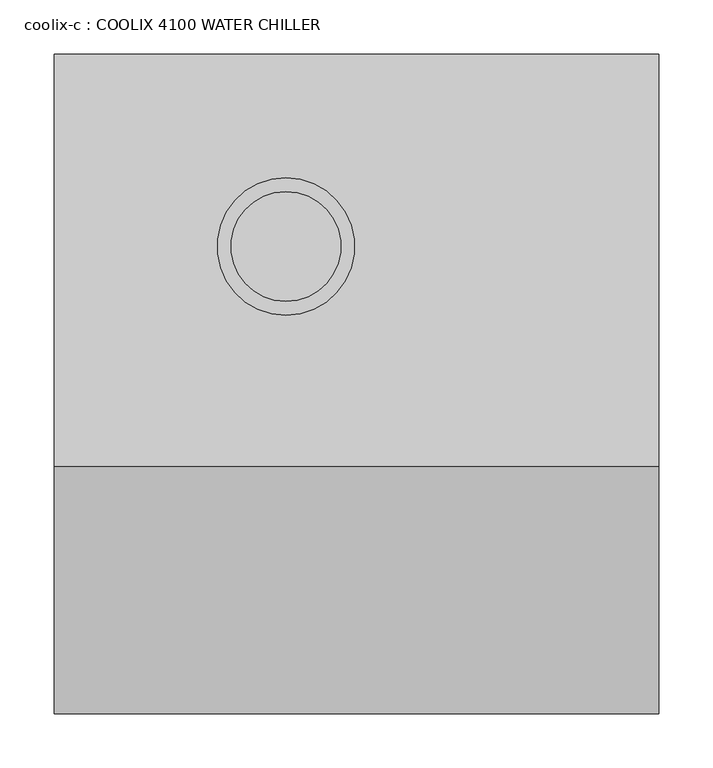
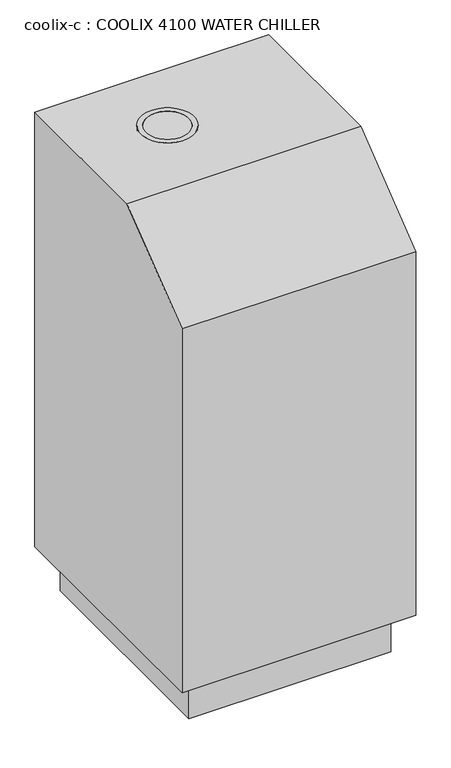
"""IFC4 building model written with IfcOpenShell, lengths in millimetres: proxy geometry, coolix-c : COOLIX 4100 WATER CHILLER."""

from ifc_helpers import new_model, si_unit, point, frame, frame_2d, origin, place, context, project, spatial, circle_curve, trimmed, segment, composite_curve, outline, extrude, faceted_brep, source, transform, mapped, element, save


def coolix_c_coolix_4100_water_chiller_3e813609(model_context):
    return source(origin(), model_context, "Body", "SolidModel", [
        extrude(outline(composite_curve([segment(trimmed(circle_curve(frame_2d((214.2066667, -304.8)), 63.5), [point((214.2066667, -241.3))], [point((214.2066667, -368.3))], False, "CARTESIAN"), True, "CONTINUOUS"), segment(trimmed(circle_curve(frame_2d((214.2066667, -304.8)), 63.5), [point((214.2066667, -368.3))], [point((214.2066667, -241.3))], False, "CARTESIAN"), True, "CONTINUOUS")], self_intersect=False), holes=[composite_curve([segment(trimmed(circle_curve(frame_2d((214.2066667, -304.8)), 50.8), [point((214.2066667, -254.0))], [point((214.2066667, -355.6))], True, "CARTESIAN"), True, "CONTINUOUS"), segment(trimmed(circle_curve(frame_2d((214.2066667, -304.8)), 50.8), [point((214.2066667, -355.6))], [point((214.2066667, -254.0))], True, "CARTESIAN"), True, "CONTINUOUS")], self_intersect=False)]), frame((0.0, 0.0, 1148.0601563), z_axis=(0.0, 0.0, 1.0), x_axis=(1.0, 0.0, 0.0)), (0.0, 0.0, 1.0), 50.8),
        faceted_brep([(558.8, -127.0, 1198.8601563), (0.0, -127.0, 1198.8601563), (0.0, -508.0, 1198.8601563), (558.8, -508.0, 1198.8601563), (520.7, -165.1, 0.0), (520.7, -698.5, 0.0), (38.1, -698.5, 0.0), (38.1, -165.1, 0.0), (558.8, -127.0, 101.6), (0.0, -127.0, 101.6), (0.0, -736.6, 101.6), (0.0, -736.6, 1021.0601563), (558.8, -736.6, 1021.0601563), (558.8, -736.6, 101.6), (520.7, -165.1, 101.6), (38.1, -165.1, 101.6), (38.1, -698.5, 101.6), (520.7, -698.5, 101.6)], [[[0, 1, 2, 3]], [[4, 5, 6, 7]], [[1, 0, 8, 9]], [[2, 1, 9, 10, 11]], [[12, 11, 10, 13]], [[0, 3, 12, 13, 8]], [[3, 2, 11, 12]], [[9, 8, 13, 10], [14, 15, 16, 17]], [[14, 17, 5, 4]], [[17, 16, 6, 5]], [[16, 15, 7, 6]], [[15, 14, 4, 7]]]),
    ])


if __name__ == "__main__":
    model = new_model("IFC4")
    model_context = context("Model", 3, world=origin())
    ifc_project = project(units=[si_unit("LENGTHUNIT", "METRE", prefix="MILLI")], contexts=[model_context])
    site = spatial("IfcSite", under=ifc_project)
    building = spatial("IfcBuilding", under=site)
    placement = place(None, origin())
    coolix_c_coolix_4100_water_chiller_shape = coolix_c_coolix_4100_water_chiller_3e813609(model_context)
    element("IfcBuildingElementProxy", 1, Name="coolix-c : COOLIX 4100 WATER CHILLER", ObjectType="coolix-c : COOLIX 4100 WATER CHILLER", at=placement, inside=building, context=model_context, shape_type="MappedRepresentation", body=[
        mapped(coolix_c_coolix_4100_water_chiller_shape, transform((0.0, 0.0, 0.0), x_axis=(1.0, 0.0, 0.0), y_axis=(0.0, 1.0, 0.0), z_axis=(0.0, 0.0, 1.0))),
    ])
    save(model, "model.ifc")
